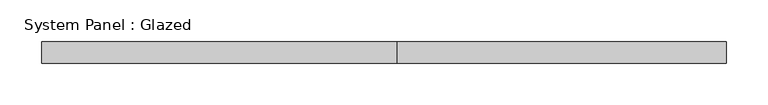
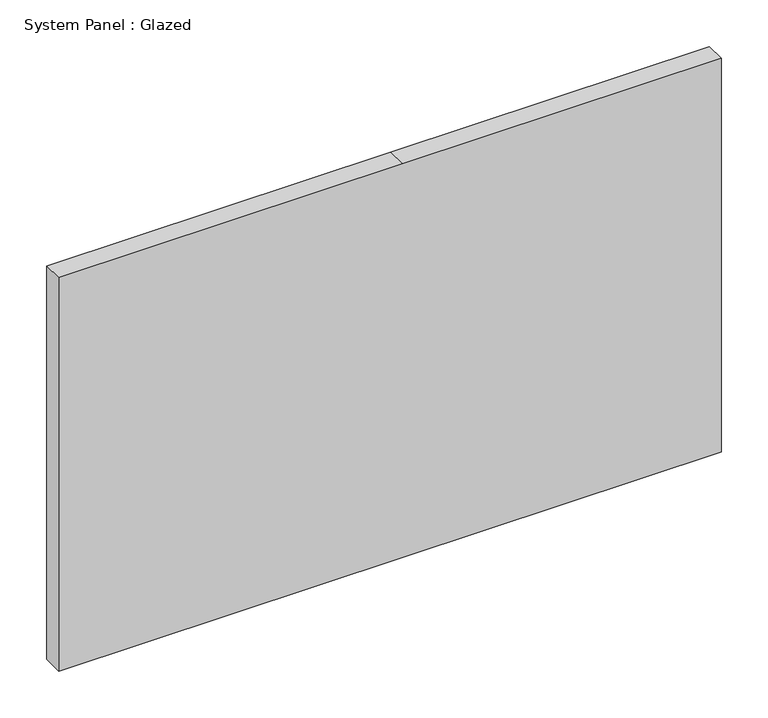
"""IFC4 building model written with IfcOpenShell, lengths in millimetres: plate geometry, System Panel : Glazed."""

from ifc_helpers import new_model, si_unit, frame, origin, place, context, project, spatial, polyline, outline, extrude, source, transform, mapped, element, save


def system_panel_glazed_b3b09af7(model_context):
    return source(origin(), model_context, "Body", "SweptSolid", [
        extrude(outline(polyline([(0.0, -409.575), (0.0, 15.875), (0.0, 409.575), (514.35, 409.575), (514.35, 15.875), (514.35, -409.575), (0.0, -409.575)])), frame((0.0, 19.05, 0.0), z_axis=(0.0, 1.0, 0.0), x_axis=(0.0, 0.0, 1.0)), (0.0, 0.0, 1.0), 25.4),
    ])


if __name__ == "__main__":
    model = new_model("IFC4")
    model_context = context("Model", 3, world=origin())
    ifc_project = project(units=[si_unit("LENGTHUNIT", "METRE", prefix="MILLI")], contexts=[model_context])
    site = spatial("IfcSite", under=ifc_project)
    building = spatial("IfcBuilding", under=site)
    placement = place(None, origin())
    system_panel_glazed_shape = system_panel_glazed_b3b09af7(model_context)
    element("IfcPlate", 1, ObjectType="System Panel : Glazed", at=placement, inside=building, context=model_context, shape_type="MappedRepresentation", body=[
        mapped(system_panel_glazed_shape, transform((0.0, 0.0, 0.0), x_axis=(1.0, 0.0, 0.0), y_axis=(0.0, 1.0, 0.0), z_axis=(0.0, 0.0, 1.0))),
    ])
    save(model, "model.ifc")
